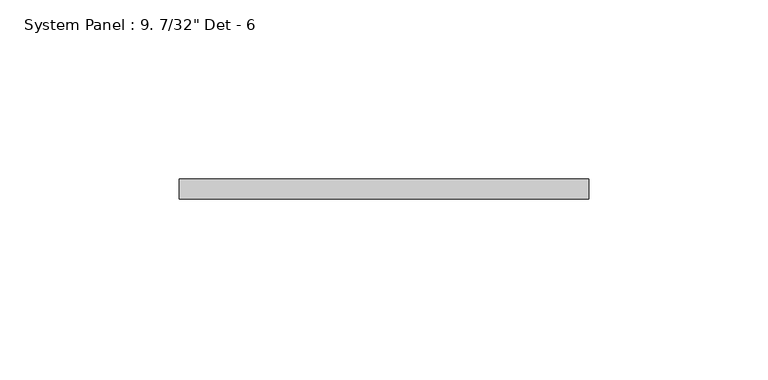
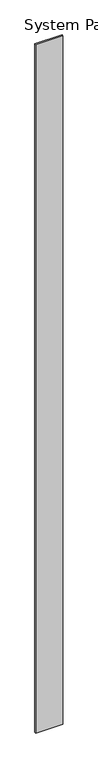
"""IFC4 building model written with IfcOpenShell, lengths in millimetres: plate geometry."""

from ifc_helpers import new_model, si_unit, origin, origin_with_axes, place, context, project, spatial, polyline, outline, extrude, source, transform, mapped, element, save


def plate_74672be1(model_context):
    return source(origin(), model_context, "Body", "SweptSolid", [
        extrude(outline(polyline([(57.15, -5.55625), (-57.15, -5.55625), (-57.15, 0.0), (57.15, 0.0), (57.15, -5.55625)])), origin_with_axes(), (0.0, 0.0, 1.0), 3048.0),
    ])


if __name__ == "__main__":
    model = new_model("IFC4")
    model_context = context("Model", 3, world=origin())
    ifc_project = project(units=[si_unit("LENGTHUNIT", "METRE", prefix="MILLI")], contexts=[model_context])
    site = spatial("IfcSite", under=ifc_project)
    building = spatial("IfcBuilding", under=site)
    placement = place(None, origin())
    plate_shape = plate_74672be1(model_context)
    element("IfcPlate", 1, ObjectType="System Panel : 9. 7/32\" Det - 6", at=placement, inside=building, context=model_context, shape_type="MappedRepresentation", body=[
        mapped(plate_shape, transform((0.0, 0.0, 0.0), x_axis=(1.0, 0.0, 0.0), y_axis=(0.0, 1.0, 0.0), z_axis=(0.0, 0.0, 1.0))),
    ])
    save(model, "model.ifc")
